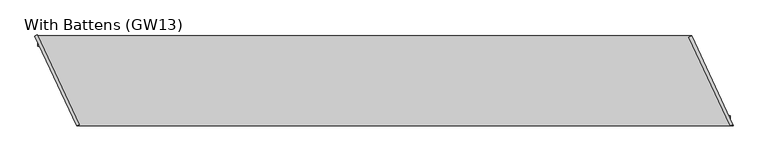
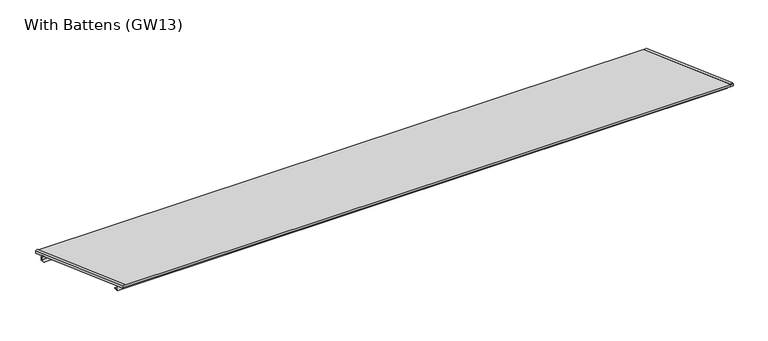
"""IFC4 building model written with IfcOpenShell, lengths in millimetres: proxy geometry, With Battens (GW13)."""

from ifc_helpers import new_model, si_unit, frame, origin, place, context, project, spatial, polyline, outline, extrude, source, transform, mapped, element, save


def with_battens_gw13_ee70e3bf(model_context):
    return source(origin(), model_context, "Body", "SweptSolid", [
        extrude(outline(polyline([(70.0, 0.0), (40.0, 0.0), (40.0, 40.0), (60.0, 40.0), (60.0, 38.0), (42.0, 38.0), (42.0, 2.0), (70.0, 2.0), (70.0, 0.0)])), frame((268.1269034, 0.0, 0.0), z_axis=(1.0, 0.0, 0.0), x_axis=(0.0, 1.0, 0.0)), (0.0, 0.0, 1.0), 4489.1400263),
        extrude(outline(polyline([(545.0, 0.0), (545.0, 2.0), (573.0, 2.0), (573.0, 38.0), (555.0, 38.0), (555.0, 40.0), (575.0, 40.0), (575.0, 0.0), (545.0, 0.0)])), frame((18.6523063, 0.0, 0.0), z_axis=(1.0, 0.0, 0.0), x_axis=(0.0, 1.0, 0.0)), (0.0, 0.0, 1.0), 4489.1400263),
        extrude(outline(polyline([(4775.9192361, 0.0), (286.7792098, 0.0), (0.0, 615.0), (4489.1400263, 615.0), (4775.9192361, 0.0)])), frame((0.0, 0.0, 40.0), z_axis=(0.0, 0.0, 1.0), x_axis=(1.0, 0.0, 0.0)), (0.0, 0.0, 1.0), 15.0),
        extrude(outline(polyline([(-19.0000001, 0.0), (-19.0000001, 2.0), (-2.0000001, 2.0), (-2.0000001, 17.0), (-19.0000001, 17.0), (-19.0000001, 19.0), (0.0, 19.0), (0.0, 0.0), (-19.0000001, 0.0)])), frame((4774.3816594, 8.029747, 57.0), z_axis=(-0.42261826174069766, 0.9063077870366508, 0.0), x_axis=(0.9063077870366508, 0.42261826174069766, 0.0)), (0.0, 0.0, 1.0), 669.7175747),
        extrude(outline(polyline([(-19.0000001, 0.0), (-19.0000001, 2.0), (-2.0, 2.0), (-2.0, 17.0), (-19.0000001, 17.0), (-19.0000001, 19.0), (0.0, 19.0), (0.0, 0.0), (-19.0000001, 0.0)])), frame((284.5724539, 0.0, 38.0), z_axis=(-0.4226182617407062, 0.9063077870366468, 0.0), x_axis=(-0.9063077870366468, -0.4226182617407062, 0.0)), (0.0, 0.0, 1.0), 677.6448048),
    ])


if __name__ == "__main__":
    model = new_model("IFC4")
    model_context = context("Model", 3, world=origin())
    ifc_project = project(units=[si_unit("LENGTHUNIT", "METRE", prefix="MILLI")], contexts=[model_context])
    site = spatial("IfcSite", under=ifc_project)
    building = spatial("IfcBuilding", under=site)
    placement = place(None, origin())
    with_battens_gw13_shape = with_battens_gw13_ee70e3bf(model_context)
    element("IfcBuildingElementProxy", 1, Name="With Battens (GW13)", ObjectType="With Battens (GW13)", at=placement, inside=building, context=model_context, shape_type="MappedRepresentation", body=[
        mapped(with_battens_gw13_shape, transform((0.0, 0.0, 0.0), x_axis=(1.0, 0.0, 0.0), y_axis=(0.0, 1.0, 0.0), z_axis=(0.0, 0.0, 1.0))),
    ])
    save(model, "model.ifc")
